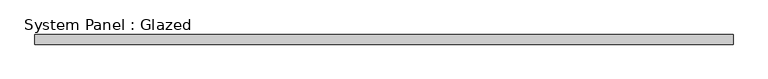
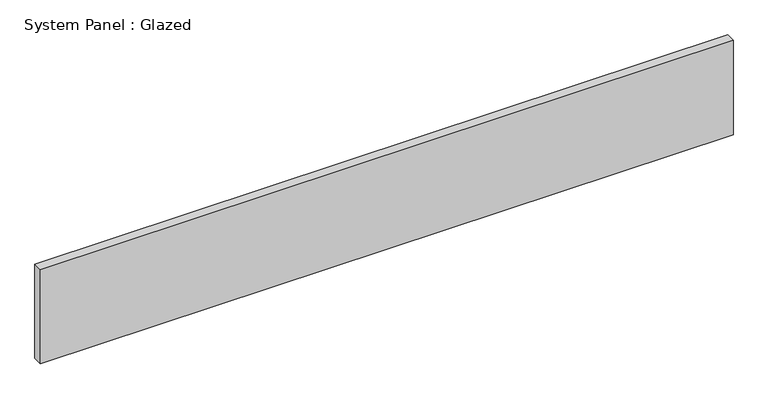
"""IFC4 building model written with IfcOpenShell, lengths in millimetres: plate geometry, System Panel : Glazed."""

import ifcopenshell
import ifcopenshell.guid

model = None  # the IFC model being written
_history = None  # IfcOwnerHistory: only IFC2X3 demands one
_inside = {}  # id of a spatial element -> (the spatial element, [elements in it])
_under = {}  # id of a project, library or spatial element -> (it, [spatial elements below it])
_declared = {}  # id of a project -> (the project, [libraries it declares])
_typed = {}  # id of a type object -> (the type object, [elements of that type])
_made_of = {}  # id of a material, layer set ... -> (it, [elements and type objects made of it])


def new_model(schema):
    """Start an empty IFC model of exactly this schema.

    Asked for "IFC4X3", IfcOpenShell would pick the latest addendum, in which some entities
    have other attributes; the version numbers below select the first issue.
    IFC2X3 requires an IfcOwnerHistory on every rooted entity: one is made here for all.
    """
    global model, _history
    if schema == "IFC4X3":
        model = ifcopenshell.file(schema_version=(4, 3, 0, 0))
    else:
        model = ifcopenshell.file(schema=schema)
    _inside.clear()
    _under.clear()
    _declared.clear()
    _typed.clear()
    _made_of.clear()
    _history = None
    if model.schema == "IFC2X3":
        org = make("IfcOrganization", Name="unknown")
        user = make(
            "IfcPersonAndOrganization",
            ThePerson=make("IfcPerson", FamilyName="unknown"),
            TheOrganization=org,
        )
        app = make(
            "IfcApplication",
            ApplicationDeveloper=org,
            Version="unknown",
            ApplicationFullName="unknown",
            ApplicationIdentifier="unknown",
        )
        _history = make(
            "IfcOwnerHistory",
            OwningUser=user,
            OwningApplication=app,
            ChangeAction="ADDED",
            CreationDate=0,
        )
    return model


def make(cls, **values):
    """One entity of the class cls with the attributes given. An attribute that is None is left unset."""
    return model.create_entity(
        cls, **{name: value for name, value in values.items() if value is not None}
    )


def rooted(cls, **values):
    """An entity with a GlobalId (a new one), such as an element, a storey or a relation."""
    return make(cls, GlobalId=ifcopenshell.guid.new(), OwnerHistory=_history, **values)


def si_unit(unit_type, name, prefix=None):
    """IfcSIUnit, for example si_unit("LENGTHUNIT", "METRE", prefix="MILLI")."""
    return make("IfcSIUnit", UnitType=unit_type, Prefix=prefix, Name=name)


def assignment(units):
    """IfcUnitAssignment: the units of a project."""
    return None if units is None else make("IfcUnitAssignment", Units=units)


def point(xyz):
    """IfcCartesianPoint."""
    return None if xyz is None else make("IfcCartesianPoint", Coordinates=xyz)


def direction(xyz):
    """IfcDirection."""
    return None if xyz is None else make("IfcDirection", DirectionRatios=xyz)


def frame(location, z_axis=None, x_axis=None):
    """IfcAxis2Placement3D, a coordinate frame: its origin and axes. An axis left out is left unset."""
    return make(
        "IfcAxis2Placement3D",
        Location=point(location),
        Axis=direction(z_axis),
        RefDirection=direction(x_axis),
    )


def origin():
    """The frame at (0, 0, 0) with its axes left unset."""
    return frame((0.0, 0.0, 0.0))


def origin_with_axes():
    """The frame at (0, 0, 0) with the z axis (0, 0, 1) and the x axis (1, 0, 0) written out."""
    return frame((0.0, 0.0, 0.0), z_axis=(0.0, 0.0, 1.0), x_axis=(1.0, 0.0, 0.0))


def place(relative_to, where):
    """IfcLocalPlacement: puts the frame where relative to a parent placement (None: the world)."""
    return make(
        "IfcLocalPlacement", PlacementRelTo=relative_to, RelativePlacement=where
    )


def context(
    kind, dimensions, precision=None, world=None, true_north=None, identifier=None
):
    """IfcGeometricRepresentationContext, for example the 3D "Model" context."""
    return make(
        "IfcGeometricRepresentationContext",
        ContextIdentifier=identifier,
        ContextType=kind,
        CoordinateSpaceDimension=dimensions,
        Precision=precision,
        WorldCoordinateSystem=world,
        TrueNorth=true_north,
    )


def project(units=None, contexts=None):
    """IfcProject with its units and contexts."""
    return rooted(
        "IfcProject",
        Name="project",
        RepresentationContexts=contexts,
        UnitsInContext=assignment(units),
    )


def spatial(cls, under=None, at=None, **own):
    """A site, building, storey or space (cls), placed at a placement, below another one or the project."""
    s = rooted(cls, ObjectPlacement=at, **own)
    if under is not None:
        _under.setdefault(under.id(), (under, []))[1].append(s)
    return s


def polyline(points):
    """IfcPolyline through the points."""
    return make("IfcPolyline", Points=[point(p) for p in points])


def outline(outer, holes=None, kind="AREA"):
    """IfcArbitraryClosedProfileDef: a profile drawn as a closed curve; with holes, ...WithVoids."""
    if holes is None:
        return make("IfcArbitraryClosedProfileDef", ProfileType=kind, OuterCurve=outer)
    return make(
        "IfcArbitraryProfileDefWithVoids",
        ProfileType=kind,
        OuterCurve=outer,
        InnerCurves=holes,
    )


def extrude(swept, where, along, depth):
    """IfcExtrudedAreaSolid: the profile swept, set in the frame where, extruded along a direction by depth."""
    return make(
        "IfcExtrudedAreaSolid",
        SweptArea=swept,
        Position=where,
        ExtrudedDirection=direction(along),
        Depth=depth,
    )


def shape(context_of_items, identifier, shape_type, items):
    """IfcShapeRepresentation: the items that make up one representation, for example the "Body"."""
    return make(
        "IfcShapeRepresentation",
        ContextOfItems=context_of_items,
        RepresentationIdentifier=identifier,
        RepresentationType=shape_type,
        Items=items,
    )


def source(mapping_origin, context_of_items, identifier, shape_type, items):
    """IfcRepresentationMap: a shape defined once, which mapped items show again and again."""
    return make(
        "IfcRepresentationMap",
        MappingOrigin=mapping_origin,
        MappedRepresentation=shape(context_of_items, identifier, shape_type, items),
    )


def transform(
    local_origin,
    x_axis=None,
    y_axis=None,
    z_axis=None,
    scale=None,
    scale2=None,
    scale3=None,
    uniform=True,
):
    """IfcCartesianTransformationOperator3D, or its non-uniform kind. x_axis, y_axis, z_axis: its Axis1, 2, 3."""
    if uniform:
        return make(
            "IfcCartesianTransformationOperator3D",
            Axis1=direction(x_axis),
            Axis2=direction(y_axis),
            LocalOrigin=point(local_origin),
            Scale=scale,
            Axis3=direction(z_axis),
        )
    return make(
        "IfcCartesianTransformationOperator3DnonUniform",
        Axis1=direction(x_axis),
        Axis2=direction(y_axis),
        LocalOrigin=point(local_origin),
        Scale=scale,
        Axis3=direction(z_axis),
        Scale2=scale2,
        Scale3=scale3,
    )


def mapped(mapping_source, mapping_target):
    """IfcMappedItem: shows the shape of a source again, moved by a transform."""
    return make(
        "IfcMappedItem", MappingSource=mapping_source, MappingTarget=mapping_target
    )


def made_of(thing, what):
    """Note that an element or type object is made of a material, layer set ...; save() writes the relation."""
    if what is not None:
        _made_of.setdefault(what.id(), (what, []))[1].append(thing)
    return thing


def element(
    cls,
    number,
    at=None,
    inside=None,
    cuts=None,
    type_object=None,
    material=None,
    context=None,
    identifier="Body",
    shape_type=None,
    held_by="IfcProductDefinitionShape",
    body=None,
    shapes=None,
    **own,
):
    """One element of the class cls, such as IfcWall. Its Tag is "e" and its number.

    at: its placement. inside: the storey or other place that contains it. cuts: it is an
    opening in that element (IfcRelVoidsElement). A single representation is given by context,
    identifier, shape_type and body (its items); several are given by shapes. held_by: the class
    of the entity that holds the representations. save() writes the other relations.
    """
    e = rooted(cls, Tag="e%d" % number, ObjectPlacement=at, **own)
    if body is not None:
        shapes = [shape(context, identifier, shape_type, body)]
    if shapes is not None:
        e.Representation = make(held_by, Representations=shapes)
    if inside is not None:
        _inside.setdefault(inside.id(), (inside, []))[1].append(e)
    if cuts is not None:
        rooted(
            "IfcRelVoidsElement", RelatingBuildingElement=cuts, RelatedOpeningElement=e
        )
    if type_object is not None:
        _typed.setdefault(type_object.id(), (type_object, []))[1].append(e)
    return made_of(e, material)


def aggregate(whole, parts):
    """IfcRelAggregates: a whole, such as a stair, and the parts it consists of."""
    return rooted("IfcRelAggregates", RelatingObject=whole, RelatedObjects=parts)


def save(model, path):
    """Write the relations noted so far, then the file.

    IfcRelAggregates (storeys below a building ...), IfcRelContainedInSpatialStructure (elements
    in a storey), IfcRelDefinesByType, IfcRelAssociatesMaterial and IfcRelDeclares: one each for
    every whole, place, type object, material and project.
    """
    for whole, parts in _under.values():
        aggregate(whole, parts)
    for where, things in _inside.values():
        rooted(
            "IfcRelContainedInSpatialStructure",
            RelatedElements=things,
            RelatingStructure=where,
        )
    for kind, things in _typed.values():
        rooted("IfcRelDefinesByType", RelatedObjects=things, RelatingType=kind)
    for what, things in _made_of.values():
        rooted("IfcRelAssociatesMaterial", RelatedObjects=things, RelatingMaterial=what)
    for by, libraries in _declared.values():
        rooted("IfcRelDeclares", RelatingContext=by, RelatedDefinitions=libraries)
    model.write(path)


def system_panel_glazed_1fbb166e(model_context):
    return source(origin(), model_context, "Body", "SweptSolid", [
        extrude(outline(polyline([(905.0, 24.5), (-905.0, 24.5), (-905.0, 49.5), (905.0, 49.5), (905.0, 24.5)])), origin_with_axes(), (0.0, 0.0, 1.0), 260.0),
    ])


if __name__ == "__main__":
    model = new_model("IFC4")
    model_context = context("Model", 3, world=origin())
    ifc_project = project(units=[si_unit("LENGTHUNIT", "METRE", prefix="MILLI")], contexts=[model_context])
    site = spatial("IfcSite", under=ifc_project)
    building = spatial("IfcBuilding", under=site)
    placement = place(None, origin())
    system_panel_glazed_shape = system_panel_glazed_1fbb166e(model_context)
    element("IfcPlate", 1, ObjectType="System Panel : Glazed", at=placement, inside=building, context=model_context, shape_type="MappedRepresentation", body=[
        mapped(system_panel_glazed_shape, transform((0.0, 0.0, 0.0), x_axis=(1.0, 0.0, 0.0), y_axis=(0.0, 1.0, 0.0), z_axis=(0.0, 0.0, 1.0))),
    ])
    save(model, "model.ifc")
